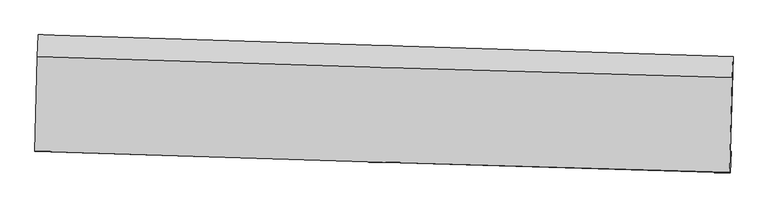
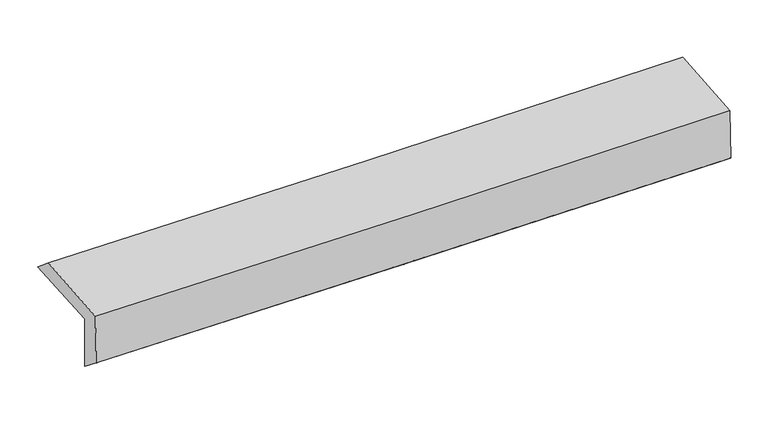
"""IFC4 building model written with IfcOpenShell, lengths in millimetres: proxy geometry."""

from ifc_helpers import new_model, si_unit, frame, origin, place, context, project, spatial, source, transform, mapped, element, save
from ifc_brep_helpers import plane_surface, spline_curve, spline_surface, advanced_brep


def generic_models_c8e4f524(model_context):
    return source(origin(), model_context, "Body", "AdvancedBrep", [
        advanced_brep(
        [(-2434.5878314, -1719.8877466, 1988.1956112), (-2416.8632413, -1060.4396923, 2009.1006279), (2421.6355847, -1213.3884976, 2100.1066238), (2403.1668952, -1877.5414136, 2079.0434576), (-2428.7756249, -1707.4017876, 1589.398496), (2408.7948538, -1872.7603607, 1677.8099444), (-2435.197851, -1875.5697305, 1722.7213925), (2402.8901767, -2023.1461819, 1798.8806622), (-2440.372624, -1874.179065, 2102.6818797), (2397.5917198, -2021.7192271, 2188.852417), (-2422.721554, -1211.6897045, 2135.0005848), (2415.8491005, -1359.5965119, 2221.1625069)],
        [
            (0, 1),
            (1, 2, spline_curve(3, [(-2416.8632413, -1060.4396923, 2009.1006279), (-1606.970247165, -1085.510605484, 2015.27861136), (-797.162952452, -1110.845121779, 2026.001078584), (815.668595612, -1161.832344202, 2056.410322163), (1618.694243099, -1187.480762798, 2076.023186493), (2421.6355847, -1213.3884976, 2100.1066238)], [4, 2, 4], [0.0, 7.974755051708587, 15.88439362029047])),
            (2, 3),
            (3, 0, spline_curve(3, [(2403.1668952, -1877.5414136, 2079.0434576), (1600.394351878, -1849.253670661, 2055.036996368), (797.514950583, -1822.021505709, 2035.475848795), (-815.068191508, -1769.452831469, 2005.119739571), (-1624.773699086, -1744.133774248, 1994.398271476), (-2434.5878314, -1719.8877466, 1988.1956112)], [4, 2, 4], [0.0, 7.909638568581884, 15.88439362029047])),
            (4, 0),
            (3, 5),
            (5, 4, spline_curve(3, [(2408.7948538, -1872.7603607, 1677.8099444), (1606.114308494, -1840.625429033, 1655.020017423), (803.296323194, -1810.824961893, 1636.27100257), (-809.224897478, -1755.666842111, 1606.733711861), (-1618.930404859, -1730.347784807, 1596.01224387), (-2428.7756249, -1707.4017876, 1589.398496)], [4, 2, 4], [0.0, 7.909177151785784, 15.883466988062118])),
            (6, 4),
            (5, 7),
            (7, 6, spline_curve(3, [(2402.8901767, -2023.1461819, 1798.8806622), (1599.852316668, -1999.992644997, 1785.525507005), (796.812165286, -1976.17100355, 1772.525877481), (-815.883805942, -1926.989898629, 1747.13357652), (-1625.539663802, -1901.619389644, 1734.746782705), (-2435.197851, -1875.5697305, 1722.7213925)], [4, 2, 4], [0.0, 7.9088539476595425, 15.882817919015991])),
            (8, 6),
            (7, 9),
            (9, 8, spline_curve(3, [(2397.5917198, -2021.7192271, 2188.852417), (1594.61971206, -1998.583922756, 2170.498524178), (791.622844267, -1974.774434368, 2154.161833773), (-821.031525784, -1925.605526611, 2125.404971145), (-1630.689439594, -1900.234960898, 2113.018149178), (-2440.372624, -1874.179065, 2102.6818797)], [4, 2, 4], [0.0, 7.908658563245983, 15.882425541677211])),
            (10, 8),
            (9, 11),
            (11, 10, spline_curve(3, [(2415.8491005, -1359.5965119, 2221.1625069), (1612.778830768, -1336.283767884, 2202.815719624), (809.68251826, -1312.354892095, 2186.483308567), (-803.173936201, -1263.062809542, 2157.729364314), (-1612.934508265, -1237.689416114, 2145.341134788), (-2422.721554, -1211.6897045, 2135.0005848)], [4, 2, 4], [0.0, 7.909217981773837, 15.883548984173082])),
            (1, 10),
            (11, 2),
        ],
        [
            spline_surface(3, 3, [[(-2434.5878314, -1719.8877466, 1988.1956112), (-1624.77369915, -1744.133774206, 1994.39827155), (-815.068191555, -1769.452831569, 2005.119739558), (797.51495063, -1822.021505608, 2035.475848808), (1600.394351923, -1849.253670638, 2055.036996308), (2403.1668952, -1877.5414136, 2079.0434576)], [(-2428.679634703, -1500.071728476, 1995.163950105), (-1618.839215135, -1524.592717922, 2001.358384781), (-809.099778523, -1549.916928316, 2012.080185946), (803.566165652, -1601.958451791, 2042.454006563), (1606.494315634, -1628.662701393, 2062.032393075), (2409.323125014, -1656.157108281, 2086.064513008)], [(-2422.771437997, -1280.255710424, 2002.132288995), (-1612.90473111, -1305.051661712, 2008.318497998), (-803.131365529, -1330.38102507, 2019.040632309), (809.617380636, -1381.895397982, 2049.432164295), (1612.594279403, -1408.071732103, 2069.027789818), (2415.479354886, -1434.772802919, 2093.085568392)], [(-2416.8632413, -1060.4396923, 2009.1006279), (-1606.970247095, -1085.510605429, 2015.278611229), (-797.162952498, -1110.845121816, 2026.001078697), (815.668595657, -1161.832344165, 2056.410322051), (1618.694243114, -1187.480762859, 2076.023186585), (2421.6355847, -1213.3884976, 2100.1066238)]], [4, 4], [4, 2, 4], [0.0, 2.165254799990081], [0.0, 7.974755051708587, 15.88439362029047]),
            spline_surface(3, 3, [[(-2428.7756249, -1707.4017876, 1589.398496), (-1618.930404948, -1730.347784755, 1596.012243964), (-809.224897453, -1755.666842119, 1606.733711872), (803.296323169, -1810.824961885, 1636.271002559), (1606.11430857, -1840.625428902, 1655.020017441), (2408.7948538, -1872.7603607, 1677.8099444)], [(-2430.713027065, -1711.56377394, 1722.330867743), (-1620.87816968, -1734.943114578, 1728.807586502), (-811.172662185, -1760.262171942, 1739.52905441), (801.369198958, -1814.557143133, 1769.339284618), (1604.207656343, -1843.501509463, 1788.35901038), (2406.918867589, -1874.354044983, 1811.554448784)], [(-2432.650429235, -1715.72576026, 1855.263239457), (-1622.825934418, -1739.538444383, 1861.602929012), (-813.120426823, -1764.857501746, 1872.32439702), (799.442074841, -1818.289324361, 1902.407566749), (1602.30100415, -1846.377590076, 1921.698003368), (2405.042881411, -1875.947729317, 1945.298953216)], [(-2434.5878314, -1719.8877466, 1988.1956112), (-1624.77369915, -1744.133774206, 1994.39827155), (-815.068191555, -1769.452831569, 2005.119739558), (797.51495063, -1822.021505608, 2035.475848807), (1600.394351923, -1849.253670638, 2055.036996308), (2403.1668952, -1877.5414136, 2079.0434576)]], [4, 4], [4, 2, 4], [0.0, 1.309154695728947], [0.0, 7.974289836276334, 15.883466988062118]),
            spline_surface(3, 3, [[(-2435.197851, -1875.5697305, 1722.7213925), (-1625.539663888, -1901.61938972, 1734.746782737), (-815.883806001, -1926.989898697, 1747.133576457), (796.812165344, -1976.171003482, 1772.525877544), (1599.852316701, -1999.992644963, 1785.525507068), (2402.8901767, -2023.1461819, 1798.8806622)], [(-2433.057108968, -1819.513749557, 1678.280427003), (-1623.336577577, -1844.528854755, 1688.501936482), (-813.664169807, -1869.882213151, 1700.33362162), (798.973551297, -1921.055656264, 1727.107585908), (1601.939647329, -1946.870239621, 1742.023677205), (2404.858402406, -1973.017574846, 1758.523756279)], [(-2430.916366932, -1763.457768543, 1633.839461497), (-1621.133491259, -1787.43831972, 1642.257090219), (-811.444533646, -1812.774527665, 1653.533666708), (801.134937216, -1865.940309104, 1681.689294195), (1604.026977941, -1893.747834243, 1698.521847304), (2406.826628094, -1922.888967754, 1718.166850321)], [(-2428.7756249, -1707.4017876, 1589.398496), (-1618.930404948, -1730.347784755, 1596.012243964), (-809.224897453, -1755.666842119, 1606.733711872), (803.296323169, -1810.824961885, 1636.271002559), (1606.11430857, -1840.625428902, 1655.020017441), (2408.7948538, -1872.7603607, 1677.8099444)]], [4, 4], [4, 2, 4], [0.0, 0.7152458498346358], [0.0, 7.973963971356449, 15.882817919015991]),
            spline_surface(3, 3, [[(-2440.372624, -1874.179065, 2102.6818797), (-1630.689439518, -1900.234960933, 2113.018149232), (-821.031525888, -1925.605526557, 2125.404971174), (791.622844371, -1974.774434423, 2154.161833744), (1594.619712014, -1998.58392277, 2170.498524254), (2397.5917198, -2021.7192271, 2188.852417)], [(-2438.64769964, -1874.642620168, 1976.028383949), (-1628.972847614, -1900.696437197, 1986.927693716), (-819.315619244, -1926.066983945, 1999.314506262), (793.352618043, -1975.239957451, 2026.949848337), (1596.363913601, -1999.053496809, 2042.174185178), (2399.357872125, -2022.194878675, 2058.861832053)], [(-2436.92277536, -1875.106175332, 1849.374888251), (-1627.256255792, -1901.157913456, 1860.837238253), (-817.599712644, -1926.528441308, 1873.224041369), (795.082391672, -1975.705480454, 1899.737862951), (1598.108115114, -1999.523070923, 1913.849846143), (2401.124024375, -2022.670530325, 1928.871247147)], [(-2435.197851, -1875.5697305, 1722.7213925), (-1625.539663888, -1901.61938972, 1734.746782737), (-815.883806001, -1926.989898697, 1747.133576457), (796.812165344, -1976.171003482, 1772.525877544), (1599.852316701, -1999.992644963, 1785.525507068), (2402.8901767, -2023.1461819, 1798.8806622)]], [4, 4], [4, 2, 4], [0.0, 1.2466458736765123], [0.0, 7.973766978431228, 15.882425541677211]),
            spline_surface(3, 3, [[(-2422.721554, -1211.6897045, 2135.0005848), (-1612.934508396, -1237.68941602, 2145.341134838), (-803.173936108, -1263.062809451, 2157.729364383), (809.682518168, -1312.354892186, 2186.483308499), (1612.778830706, -1336.283767833, 2202.815719665), (2415.8491005, -1359.5965119, 2221.1625069)], [(-2428.605244006, -1432.519491331, 2124.227683101), (-1618.852818776, -1458.537930988, 2134.566806303), (-809.126466046, -1483.910381837, 2146.954566632), (803.662626891, -1533.161406283, 2175.709483566), (1606.725791128, -1557.050486146, 2192.043321191), (2409.763306919, -1580.304083635, 2210.39247693)], [(-2434.488933994, -1653.349278169, 2113.454781399), (-1624.771129137, -1679.386445964, 2123.792477767), (-815.078995951, -1704.75795417, 2136.179768925), (797.642735647, -1753.967920326, 2164.935658677), (1600.672751592, -1777.817204456, 2181.270922727), (2403.677513381, -1801.011655365, 2199.62244697)], [(-2440.372624, -1874.179065, 2102.6818797), (-1630.689439518, -1900.234960933, 2113.018149232), (-821.031525888, -1925.605526557, 2125.404971174), (791.622844371, -1974.774434423, 2154.161833744), (1594.619712014, -1998.58392277, 2170.498524254), (2397.5917198, -2021.7192271, 2188.852417)]], [4, 4], [4, 2, 4], [0.0, 2.176879097289521], [0.0, 7.974331002399245, 15.883548984173082]),
            spline_surface(3, 3, [[(-2416.8632413, -1060.4396923, 2009.1006279), (-1606.970247095, -1085.510605429, 2015.278611229), (-797.162952498, -1110.845121816, 2026.001078697), (815.668595657, -1161.832344165, 2056.410322051), (1618.694243114, -1187.480762859, 2076.023186585), (2421.6355847, -1213.3884976, 2100.1066238)], [(-2418.816012218, -1110.856363029, 2051.0672802), (-1608.958334213, -1136.236875621, 2058.632785766), (-799.166613697, -1161.584351018, 2069.910507271), (813.673236498, -1212.006526829, 2099.767984212), (1616.722438992, -1237.08176453, 2118.287364291), (2419.706756647, -1262.12450238, 2140.458584846)], [(-2420.768783082, -1161.273033771, 2093.0339325), (-1610.946421278, -1186.963145827, 2101.986960302), (-801.170274909, -1212.323580249, 2113.819935809), (811.677877327, -1262.180709522, 2143.125646338), (1614.750634828, -1286.682766161, 2160.551541959), (2417.777928553, -1310.86050712, 2180.810545854)], [(-2422.721554, -1211.6897045, 2135.0005848), (-1612.934508396, -1237.68941602, 2145.341134838), (-803.173936108, -1263.062809451, 2157.729364383), (809.682518168, -1312.354892186, 2186.483308499), (1612.778830706, -1336.283767833, 2202.815719665), (2415.8491005, -1359.5965119, 2221.1625069)]], [4, 4], [4, 2, 4], [0.0, 0.6568869654946415], [0.0, 7.975029857066854, 15.884940987131381]),
            plane_surface(frame((2408.3213885, -1728.0253655, 2010.9759353), z_axis=(0.9995078469944904, -0.028228160660058284, 0.013683374663737568), x_axis=(0.013585426294733964, -0.0036587610955267046, -0.9999010199312911))),
            plane_surface(frame((-2429.7531211, -1574.8612877, 1924.516432), z_axis=(-0.9995332234747587, 0.027300077545066935, -0.013712801908862348), x_axis=(-0.026854733117247478, -0.9991374364176439, -0.031673434578212284))),
        ],
        [
            (0, [[1, 2, 3, 4]]),
            (1, [[5, -4, 6, 7]]),
            (2, [[8, -7, 9, 10]]),
            (3, [[11, -10, 12, 13]]),
            (4, [[14, -13, 15, 16]]),
            (5, [[17, -16, 18, -2]]),
            (6, [[-12, -9, -6, -3, -18, -15]]),
            (7, [[-1, -5, -8, -11, -14, -17]]),
        ],
    ),
    ])


if __name__ == "__main__":
    model = new_model("IFC4")
    model_context = context("Model", 3, world=origin())
    ifc_project = project(units=[si_unit("LENGTHUNIT", "METRE", prefix="MILLI")], contexts=[model_context])
    site = spatial("IfcSite", under=ifc_project)
    building = spatial("IfcBuilding", under=site)
    placement = place(None, origin())
    generic_models_shape = generic_models_c8e4f524(model_context)
    element("IfcBuildingElementProxy", 1, Name="Generic Models", at=placement, inside=building, context=model_context, shape_type="MappedRepresentation", body=[
        mapped(generic_models_shape, transform((0.0, 0.0, 0.0), x_axis=(1.0, 0.0, 0.0), y_axis=(0.0, 1.0, 0.0), z_axis=(0.0, 0.0, 1.0))),
    ])
    save(model, "model.ifc")
